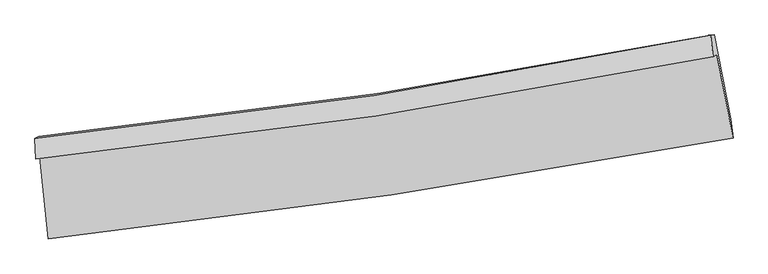
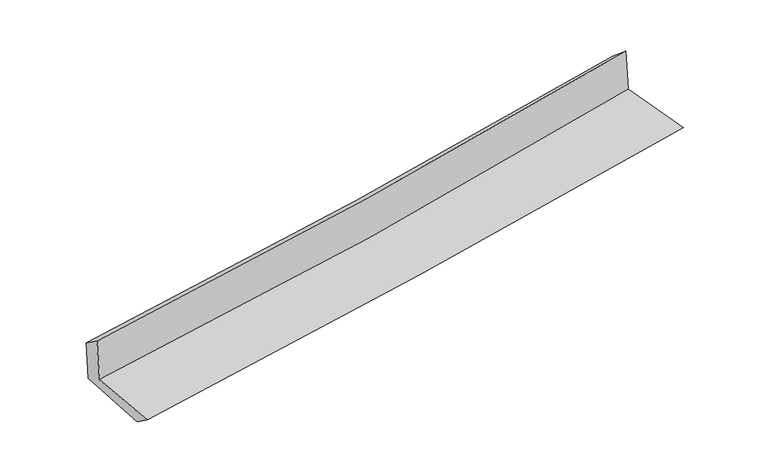
"""IFC4 building model written with IfcOpenShell, lengths in millimetres: proxy geometry."""

from ifc_helpers import new_model, si_unit, frame, origin, place, context, project, spatial, source, transform, mapped, element, save
from ifc_brep_helpers import plane_surface, spline_curve, spline_surface, advanced_brep


def generic_models_4c48e7af(model_context):
    return source(origin(), model_context, "Body", "AdvancedBrep", [
        advanced_brep(
        [(-2705.3088215, -1891.6596682, 1654.9626306), (-2638.2886756, -2541.5485831, 1629.1746946), (2781.5401793, -1743.1499091, 2109.7792225), (2653.8088281, -1082.0108952, 2131.3924168), (-2736.735261, -1907.6168913, 2055.8773878), (2622.893046, -1097.4760297, 2522.0356607), (-2743.4243532, -1745.9452458, 1941.0781993), (2602.8799629, -925.6755665, 2375.6096269), (-2714.7777575, -1728.3426719, 1571.9203627), (2631.7643535, -924.2380903, 2039.2110941), (-2644.4529447, -2390.8298987, 1521.2830055), (2763.3372801, -1592.2770484, 1988.4314188)],
        [
            (0, 1),
            (1, 2, spline_curve(3, [(-2638.2886756, -2541.5485831, 1629.1746946), (-1731.217163292, -2442.928541091, 1720.156195818), (-825.822576731, -2327.046859843, 1805.713209518), (980.78396733, -2060.882322733, 1965.904774046), (1881.998999024, -1910.631112425, 2040.549269578), (2781.5401793, -1743.1499091, 2109.7792225)], [4, 2, 4], [0.0, 8.979871711636681, 17.951508196232073])),
            (2, 3),
            (3, 0, spline_curve(3, [(2653.8088281, -1082.0108952, 2131.3924168), (1767.705344316, -1260.179968398, 2053.175485297), (878.266869369, -1416.714213196, 1974.383015011), (-908.099555045, -1686.636874014, 1815.574143261), (-1805.033630209, -1799.985553069, 1735.556684971), (-2705.3088215, -1891.6596682, 1654.9626306)], [4, 2, 4], [0.0, 8.971636484595392, 17.951508196232073])),
            (4, 0),
            (3, 5),
            (5, 4, spline_curve(3, [(2622.893046, -1097.4760297, 2522.0356607), (1736.184921065, -1276.034067501, 2452.266780219), (846.401471095, -1432.803853823, 2378.555447255), (-940.135649278, -1702.890825764, 2223.176597534), (-1836.894968654, -1816.167993095, 2141.501839358), (-2736.735261, -1907.6168913, 2055.8773878)], [4, 2, 4], [0.0, 8.924024758232086, 17.85624103984258])),
            (6, 4),
            (5, 7),
            (7, 6, spline_curve(3, [(2602.8799629, -925.6755665, 2375.6096269), (1718.7601, -1109.796050994, 2317.967231129), (831.380689045, -1270.191630749, 2252.955075193), (-950.714763019, -1543.65843213, 2108.12480194), (-1845.436790667, -1656.686078926, 2028.293148706), (-2743.4243532, -1745.9452458, 1941.0781993)], [4, 2, 4], [0.0, 8.912541554469634, 17.833264091677705])),
            (8, 6),
            (7, 9),
            (9, 8, spline_curve(3, [(2631.7643535, -924.2380903, 2039.2110941), (1747.783093212, -1100.119046225, 1961.873480396), (860.453217075, -1255.047115621, 1884.281759882), (-921.721336137, -1523.120460017, 1728.518649229), (-1816.572163742, -1636.227251132, 1650.346792695), (-2714.7777575, -1728.3426719, 1571.9203627)], [4, 2, 4], [0.0, 8.901083218116158, 17.810336901157022])),
            (10, 8),
            (9, 11),
            (11, 10, spline_curve(3, [(2763.3372801, -1592.2770484, 1988.4314188), (1866.718945496, -1759.573066241, 1912.969958778), (967.968306182, -1909.744477513, 1836.328594605), (-834.624519295, -2175.96021315, 1680.614623848), (-1738.470621518, -2291.973085352, 1601.539850378), (-2644.4529447, -2390.8298987, 1521.2830055)], [4, 2, 4], [0.0, 8.949362911054957, 17.906940603836077])),
            (1, 10),
            (11, 2),
        ],
        [
            spline_surface(3, 3, [[(-2705.3088215, -1891.6596682, 1654.9626306), (-1805.033630162, -1799.985553173, 1735.556684953), (-908.099555123, -1686.63687389, 1815.574143311), (878.266869447, -1416.71421332, 1974.383014961), (1767.705344254, -1260.179968289, 2053.175485344), (2653.8088281, -1082.0108952, 2131.3924168)], [(-2682.968772861, -2108.289306492, 1646.366651929), (-1780.428141209, -2014.299882434, 1730.423188597), (-880.673895634, -1900.106869245, 1812.28716538), (912.43923541, -1631.436916437, 1971.556934665), (1805.803229162, -1476.997016319, 2048.966746824), (2696.385945182, -1302.390566513, 2124.188018731)], [(-2660.628724239, -2324.918944808, 1637.770673271), (-1755.822652273, -2228.614211718, 1725.289692253), (-853.248236186, -2113.576864575, 1809.000187435), (946.611601333, -1846.159619529, 1968.730854355), (1843.901114024, -1693.814064311, 2044.758008211), (2738.963062218, -1522.770237787, 2116.983620569)], [(-2638.2886756, -2541.5485831, 1629.1746946), (-1731.21716332, -2442.928540979, 1720.156195897), (-825.822576697, -2327.04685993, 1805.713209504), (980.783967297, -2060.882322646, 1965.90477406), (1881.998998932, -1910.631112341, 2040.549269691), (2781.5401793, -1743.1499091, 2109.7792225)]], [4, 4], [4, 2, 4], [0.0, 2.1291427515897743], [0.0, 8.979871711636681, 17.951508196232073]),
            spline_surface(3, 3, [[(-2736.735261, -1907.6168913, 2055.8773878), (-1836.894968577, -1816.167993211, 2141.50183922), (-940.135649391, -1702.890825729, 2223.176597434), (846.401471208, -1432.803853858, 2378.555447355), (1736.184921057, -1276.034067449, 2452.266780163), (2622.893046, -1097.4760297, 2522.0356607)], [(-2726.259781178, -1902.297816937, 1922.239135378), (-1826.27452245, -1810.773846535, 2006.186787776), (-929.456951305, -1697.472841786, 2087.309112749), (857.023270617, -1427.440640349, 2243.831303246), (1746.691728806, -1270.74936771, 2319.236348558), (2633.198306717, -1092.320984847, 2391.821246068)], [(-2715.784301322, -1896.978742563, 1788.600883022), (-1815.654076289, -1805.379699849, 1870.871736398), (-918.778253209, -1692.054857832, 1951.441627996), (867.645070038, -1422.077426829, 2109.10715907), (1757.198536504, -1265.464668028, 2186.205916949), (2643.503567383, -1087.165940053, 2261.606831432)], [(-2705.3088215, -1891.6596682, 1654.9626306), (-1805.033630162, -1799.985553173, 1735.556684953), (-908.099555123, -1686.63687389, 1815.574143311), (878.266869447, -1416.71421332, 1974.383014961), (1767.705344254, -1260.179968289, 2053.175485344), (2653.8088281, -1082.0108952, 2131.3924168)]], [4, 4], [4, 2, 4], [0.0, 1.3368296442361738], [0.0, 8.932216281610494, 17.85624103984258]),
            spline_surface(3, 3, [[(-2743.4243532, -1745.9452458, 1941.0781993), (-1845.436790673, -1656.686079002, 2028.293148686), (-950.714762962, -1543.658432168, 2108.124801903), (831.380688988, -1270.191630711, 2252.95507523), (1718.760099992, -1109.796051106, 2317.967231196), (2602.8799629, -925.6755665, 2375.6096269)], [(-2741.19465581, -1799.835794288, 1979.34459548), (-1842.589516652, -1709.84671706, 2066.029378877), (-947.18839177, -1596.735896683, 2146.475400411), (836.387616396, -1324.395705088, 2294.821865936), (1724.56837366, -1165.208723217, 2362.733747495), (2609.55099058, -982.942387564, 2424.41830481)], [(-2738.96495839, -1853.726342812, 2017.61099162), (-1839.742242599, -1763.007355154, 2103.765609029), (-943.662020583, -1649.813361213, 2184.825998926), (841.394543799, -1378.599779481, 2336.688656649), (1730.376647389, -1220.621395337, 2407.500263863), (2616.22201832, -1040.209208636, 2473.22698279)], [(-2736.735261, -1907.6168913, 2055.8773878), (-1836.894968577, -1816.167993211, 2141.50183922), (-940.135649391, -1702.890825729, 2223.176597434), (846.401471208, -1432.803853858, 2378.555447355), (1736.184921057, -1276.034067449, 2452.266780163), (2622.893046, -1097.4760297, 2522.0356607)]], [4, 4], [4, 2, 4], [0.0, 0.6605535826821631], [0.0, 8.920722537208071, 17.833264091677705]),
            spline_surface(3, 3, [[(-2714.7777575, -1728.3426719, 1571.9203627), (-1816.572163849, -1636.227251035, 1650.346792752), (-921.721336189, -1523.120459945, 1728.518649343), (860.453217127, -1255.047115693, 1884.281759768), (1747.783093173, -1100.119046248, 1961.873480302), (2631.7643535, -924.2380903, 2039.2110941)], [(-2724.326622736, -1734.210196555, 1694.972974911), (-1826.193706127, -1643.04686038, 1776.328911408), (-931.385811792, -1529.96645068, 1855.054033511), (850.762374402, -1260.09528736, 2007.172864903), (1738.108762122, -1103.344714557, 2080.571397282), (2622.136223309, -924.717249057, 2151.343938382)], [(-2733.875487964, -1740.077721145, 1818.025587089), (-1835.815248396, -1649.866469658, 1902.31103003), (-941.050287359, -1536.812441433, 1981.589417735), (841.071531713, -1265.143459044, 2130.063970094), (1728.434431044, -1106.570382796, 2199.269314216), (2612.508093091, -925.196407743, 2263.476782618)], [(-2743.4243532, -1745.9452458, 1941.0781993), (-1845.436790673, -1656.686079002, 2028.293148686), (-950.714762962, -1543.658432168, 2108.124801903), (831.380688988, -1270.191630711, 2252.95507523), (1718.760099992, -1109.796051106, 2317.967231196), (2602.8799629, -925.6755665, 2375.6096269)]], [4, 4], [4, 2, 4], [0.0, 1.2325901971437903], [0.0, 8.909253683040864, 17.810336901157022]),
            spline_surface(3, 3, [[(-2644.4529447, -2390.8298987, 1521.2830055), (-1738.470621382, -2291.973085373, 1601.53985041), (-834.624519175, -2175.960213263, 1680.614623903), (967.968306062, -1909.7444774, 1836.32859455), (1866.718945463, -1759.573066138, 1912.969958852), (2763.3372801, -1592.2770484, 1988.4314188)], [(-2667.894548966, -2170.000823071, 1538.162124544), (-1764.50446887, -2073.391140565, 1617.808831168), (-863.656791505, -1958.346962152, 1696.582632378), (932.129943092, -1691.512023492, 1852.312982951), (1827.073661352, -1539.755059512, 1929.271132664), (2719.479637885, -1369.597395703, 2005.357977229)], [(-2691.336153234, -1949.171747529, 1555.041243656), (-1790.538316361, -1854.809195844, 1634.077811994), (-892.689063859, -1740.733711056, 1712.550640868), (896.291580098, -1473.279569601, 1868.297371367), (1787.428377285, -1319.937052875, 1945.57230649), (2675.621995715, -1146.917742997, 2022.284535671)], [(-2714.7777575, -1728.3426719, 1571.9203627), (-1816.572163849, -1636.227251035, 1650.346792752), (-921.721336189, -1523.120459945, 1728.518649343), (860.453217127, -1255.047115693, 1884.281759768), (1747.783093173, -1100.119046248, 1961.873480302), (2631.7643535, -924.2380903, 2039.2110941)]], [4, 4], [4, 2, 4], [0.0, 2.1742242318031035], [0.0, 8.95757769278112, 17.906940603836077]),
            spline_surface(3, 3, [[(-2638.2886756, -2541.5485831, 1629.1746946), (-1731.21716332, -2442.928540979, 1720.156195897), (-825.822576697, -2327.04685993, 1805.713209504), (980.783967297, -2060.882322646, 1965.90477406), (1881.998998932, -1910.631112341, 2040.549269691), (2781.5401793, -1743.1499091, 2109.7792225)], [(-2640.343431949, -2491.309021657, 1593.210798258), (-1733.634982656, -2392.610055801, 1680.617414093), (-828.75655753, -2276.684644378, 1764.013680968), (976.512080211, -2010.503040902, 1922.712714221), (1876.90564777, -1860.278430256, 1998.022832724), (2775.472546227, -1692.858955516, 2069.329954579)], [(-2642.398188351, -2441.069460143, 1557.246901842), (-1736.052802046, -2342.291570551, 1641.078632215), (-831.690538342, -2226.322428815, 1722.314152439), (972.240193148, -1960.123759145, 1879.520654389), (1871.812296626, -1809.925748224, 1955.496395819), (2769.404913173, -1642.568001984, 2028.880686721)], [(-2644.4529447, -2390.8298987, 1521.2830055), (-1738.470621382, -2291.973085373, 1601.53985041), (-834.624519175, -2175.960213263, 1680.614623903), (967.968306062, -1909.7444774, 1836.32859455), (1866.718945463, -1759.573066138, 1912.969958852), (2763.3372801, -1592.2770484, 1988.4314188)]], [4, 4], [4, 2, 4], [0.0, 0.6492912236873872], [0.0, 9.016669309431508, 18.025069645618867]),
            plane_surface(frame((2676.037275, -1227.4712565, 2194.4099066), z_axis=(0.9788166809063144, 0.1863328145410633, 0.08484095358228931), x_axis=(-0.08554805140926633, -0.004257430796060591, 0.9963249495938031))),
            plane_surface(frame((-2697.1646356, -2034.3238265, 1729.0493801), z_axis=(-0.9917263766496872, -0.09903121596414638, -0.08167993708338227), x_axis=(-0.10250169617764554, 0.9939506276871091, 0.039440486826451925))),
        ],
        [
            (0, [[1, 2, 3, 4]]),
            (1, [[5, -4, 6, 7]]),
            (2, [[8, -7, 9, 10]]),
            (3, [[11, -10, 12, 13]]),
            (4, [[14, -13, 15, 16]]),
            (5, [[17, -16, 18, -2]]),
            (6, [[-12, -9, -6, -3, -18, -15]]),
            (7, [[-1, -5, -8, -11, -14, -17]]),
        ],
    ),
    ])


if __name__ == "__main__":
    model = new_model("IFC4")
    model_context = context("Model", 3, world=origin())
    ifc_project = project(units=[si_unit("LENGTHUNIT", "METRE", prefix="MILLI")], contexts=[model_context])
    site = spatial("IfcSite", under=ifc_project)
    building = spatial("IfcBuilding", under=site)
    placement = place(None, origin())
    generic_models_shape = generic_models_4c48e7af(model_context)
    element("IfcBuildingElementProxy", 1, Name="Generic Models", at=placement, inside=building, context=model_context, shape_type="MappedRepresentation", body=[
        mapped(generic_models_shape, transform((0.0, 0.0, 0.0), x_axis=(1.0, 0.0, 0.0), y_axis=(0.0, 1.0, 0.0), z_axis=(0.0, 0.0, 1.0))),
    ])
    save(model, "model.ifc")
